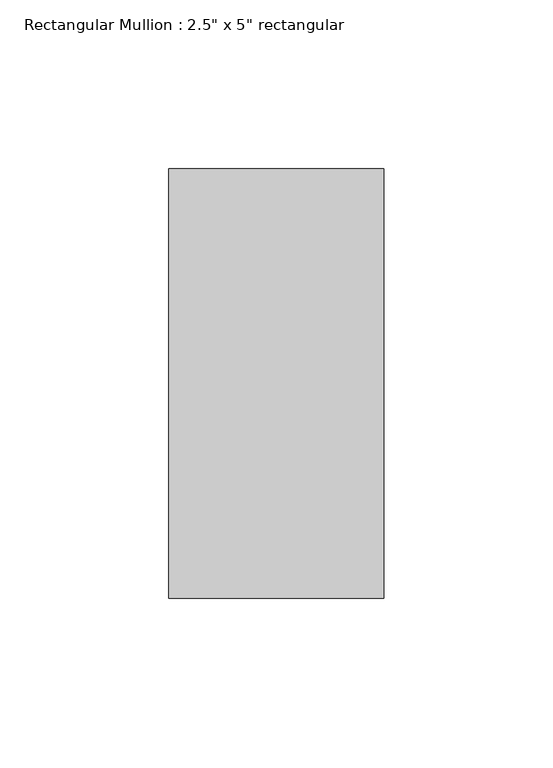
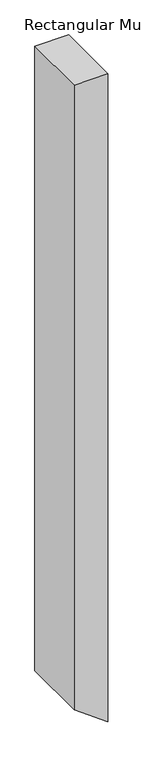
"""IFC4 building model written with IfcOpenShell, lengths in millimetres: member geometry."""

from ifc_helpers import new_model, si_unit, frame, origin, place, context, project, spatial, polyline, outline, extrude, source, transform, mapped, element, save


def member_dbe20af2(model_context):
    return source(origin(), model_context, "Body", "SweptSolid", [
        extrude(outline(polyline([(0.0, 0.0), (0.0, -63.5), (-1237.0469318, -63.5), (-1283.0537537, 0.0), (0.0, 0.0)])), frame((0.0, -63.5, 0.0), z_axis=(0.0, 1.0, 0.0), x_axis=(0.0, 0.0, 1.0)), (0.0, 0.0, 1.0), 127.0),
    ])


if __name__ == "__main__":
    model = new_model("IFC4")
    model_context = context("Model", 3, world=origin())
    ifc_project = project(units=[si_unit("LENGTHUNIT", "METRE", prefix="MILLI")], contexts=[model_context])
    site = spatial("IfcSite", under=ifc_project)
    building = spatial("IfcBuilding", under=site)
    placement = place(None, origin())
    member_shape = member_dbe20af2(model_context)
    element("IfcMember", 1, ObjectType="Rectangular Mullion : 2.5\" x 5\" rectangular", at=placement, inside=building, context=model_context, shape_type="MappedRepresentation", body=[
        mapped(member_shape, transform((0.0, 0.0, 0.0), x_axis=(1.0, 0.0, 0.0), y_axis=(0.0, 1.0, 0.0), z_axis=(0.0, 0.0, 1.0))),
    ])
    save(model, "model.ifc")
